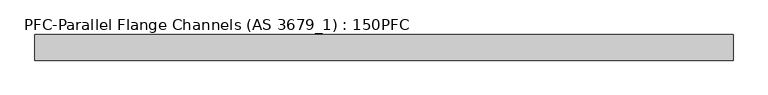
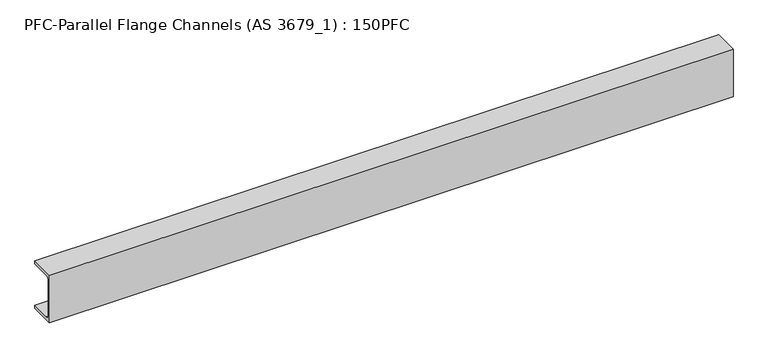
"""IFC4 building model written with IfcOpenShell, lengths in millimetres: beam geometry, PFC-Parallel Flange Channels (AS 3679_1) : 150PFC."""

from ifc_helpers import new_model, si_unit, point, frame, frame_2d, origin, place, context, project, spatial, polyline, circle_curve, trimmed, segment, composite_curve, outline, extrude, source, transform, mapped, element, save


def pfc_parallel_flange_channels_as_3679_1_150pfc_827a9d97(model_context):
    return source(origin(), model_context, "Body", "SweptSolid", [
        extrude(outline(composite_curve([segment(polyline([(-24.9, 75.0), (50.1, 75.0), (50.1, 65.5), (-8.9, 65.5)]), True, "CONTINUOUS"), segment(trimmed(circle_curve(frame_2d((-8.9, 55.5)), 10.0), [point((-8.9, 65.5))], [point((-18.9, 55.5))], True, "CARTESIAN"), True, "CONTINUOUS"), segment(polyline([(-18.9, 55.5), (-18.9, -55.5)]), True, "CONTINUOUS"), segment(trimmed(circle_curve(frame_2d((-8.9, -55.5)), 10.0), [point((-18.9, -55.5))], [point((-8.9, -65.5))], True, "CARTESIAN"), True, "CONTINUOUS"), segment(polyline([(-8.9, -65.5), (50.1, -65.5), (50.1, -75.0), (-24.9, -75.0), (-24.9, 75.0)]), True, "CONTINUOUS")], self_intersect=False)), frame((-989.7, 0.0, 0.0), z_axis=(1.0, 0.0, 0.0), x_axis=(0.0, 1.0, 0.0)), (0.0, 0.0, 1.0), 2042.2),
    ])


if __name__ == "__main__":
    model = new_model("IFC4")
    model_context = context("Model", 3, world=origin())
    ifc_project = project(units=[si_unit("LENGTHUNIT", "METRE", prefix="MILLI")], contexts=[model_context])
    site = spatial("IfcSite", under=ifc_project)
    building = spatial("IfcBuilding", under=site)
    placement = place(None, origin())
    pfc_parallel_flange_channels_as_3679_1_150pfc_shape = pfc_parallel_flange_channels_as_3679_1_150pfc_827a9d97(model_context)
    element("IfcBeam", 1, ObjectType="PFC-Parallel Flange Channels (AS 3679_1) : 150PFC", at=placement, inside=building, context=model_context, shape_type="MappedRepresentation", body=[
        mapped(pfc_parallel_flange_channels_as_3679_1_150pfc_shape, transform((0.0, 0.0, 0.0), x_axis=(1.0, 0.0, 0.0), y_axis=(0.0, 1.0, 0.0), z_axis=(0.0, 0.0, 1.0))),
    ])
    save(model, "model.ifc")
